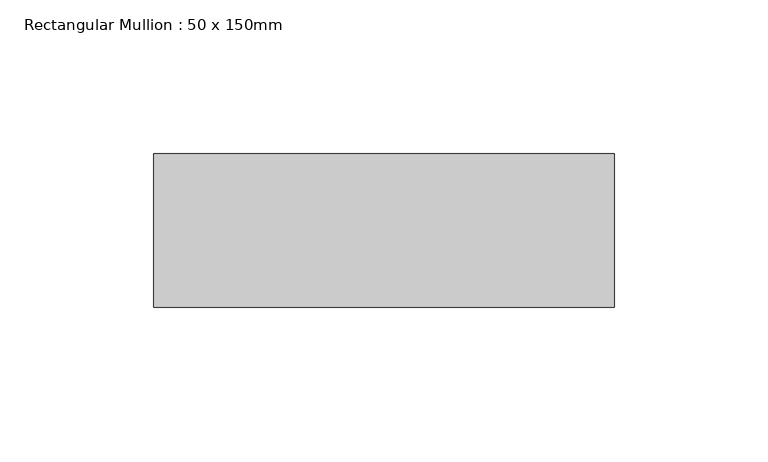
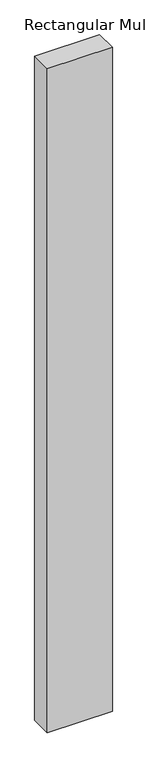
"""IFC4 building model written with IfcOpenShell, lengths in millimetres: member geometry, Rectangular Mullion : 50 x 150mm."""

from ifc_helpers import new_model, si_unit, frame, origin, place, context, project, spatial, polyline, outline, extrude, source, transform, mapped, element, save


def rectangular_mullion_50_x_150mm_55d82442(model_context):
    return source(origin(), model_context, "Body", "SweptSolid", [
        extrude(outline(polyline([(150.0, 50.0), (150.0, 0.0), (0.0, 0.0), (0.0, 50.0), (150.0, 50.0)])), frame((0.0, 0.0, -1618.1961524), z_axis=(0.0, 0.0, 1.0), x_axis=(1.0, 0.0, 0.0)), (0.0, 0.0, 1.0), 1618.1961524),
    ])


if __name__ == "__main__":
    model = new_model("IFC4")
    model_context = context("Model", 3, world=origin())
    ifc_project = project(units=[si_unit("LENGTHUNIT", "METRE", prefix="MILLI")], contexts=[model_context])
    site = spatial("IfcSite", under=ifc_project)
    building = spatial("IfcBuilding", under=site)
    placement = place(None, origin())
    rectangular_mullion_50_x_150mm_shape = rectangular_mullion_50_x_150mm_55d82442(model_context)
    element("IfcMember", 1, ObjectType="Rectangular Mullion : 50 x 150mm", at=placement, inside=building, context=model_context, shape_type="MappedRepresentation", body=[
        mapped(rectangular_mullion_50_x_150mm_shape, transform((0.0, 0.0, 0.0), x_axis=(1.0, 0.0, 0.0), y_axis=(0.0, 1.0, 0.0), z_axis=(0.0, 0.0, 1.0))),
    ])
    save(model, "model.ifc")
